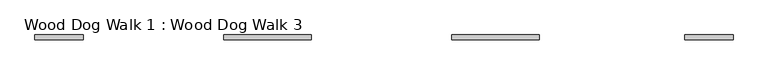
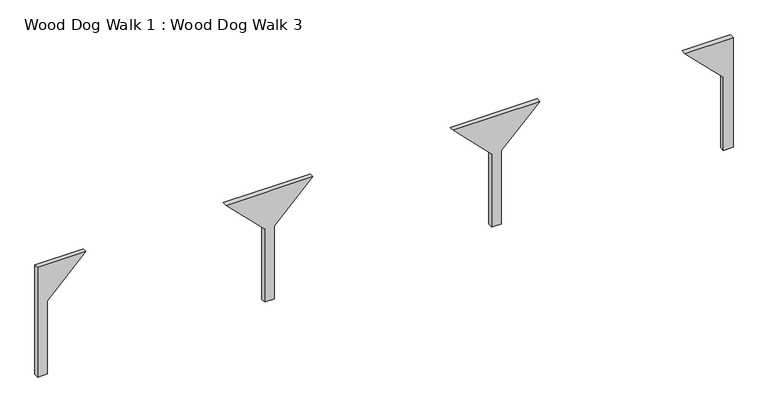
"""IFC4 building model written with IfcOpenShell, lengths in millimetres: proxy geometry, Wood Dog Walk 1 : Wood Dog Walk 3."""

from ifc_helpers import new_model, si_unit, frame, origin, place, context, project, spatial, polyline, outline, extrude, source, transform, mapped, element, save


def wood_dog_walk_1_wood_dog_walk_3_5c642de4(model_context):
    return source(origin(), model_context, "Body", "SweptSolid", [
        extrude(outline(polyline([(254.0, 259452.7001106), (254.0, 259503.5001106), (660.4, 259503.5001106), (863.6, 259706.7001106), (863.6, 259452.7001106), (254.0, 259452.7001106)])), frame((0.0, 26752.5556164, 0.0), z_axis=(0.0, 1.0, 0.0), x_axis=(0.0, 0.0, 1.0)), (0.0, 0.0, 1.0), 25.4),
        extrude(outline(polyline([(254.0, 263110.3001106), (863.6, 263110.3001106), (863.6, 262856.3001106), (660.4, 263059.5001106), (254.0, 263059.5001106), (254.0, 263110.3001106)])), frame((0.0, 26752.5556164, 0.0), z_axis=(0.0, 1.0, 0.0), x_axis=(0.0, 0.0, 1.0)), (0.0, 0.0, 1.0), 25.4),
        extrude(outline(polyline([(254.0, 260646.5001106), (254.0, 260697.3001106), (660.4, 260697.3001106), (863.6, 260900.5001106), (863.6, 260443.3001106), (660.4, 260646.5001106), (254.0, 260646.5001106)])), frame((0.0, 26752.5556164, 0.0), z_axis=(0.0, 1.0, 0.0), x_axis=(0.0, 0.0, 1.0)), (0.0, 0.0, 1.0), 25.4),
        extrude(outline(polyline([(254.0, 261840.3001106), (254.0, 261891.1001106), (660.4, 261891.1001106), (863.6, 262094.3001106), (863.6, 261637.1001106), (660.4, 261840.3001106), (254.0, 261840.3001106)])), frame((0.0, 26752.5556164, 0.0), z_axis=(0.0, 1.0, 0.0), x_axis=(0.0, 0.0, 1.0)), (0.0, 0.0, 1.0), 25.4),
    ])


if __name__ == "__main__":
    model = new_model("IFC4")
    model_context = context("Model", 3, world=origin())
    ifc_project = project(units=[si_unit("LENGTHUNIT", "METRE", prefix="MILLI")], contexts=[model_context])
    site = spatial("IfcSite", under=ifc_project)
    building = spatial("IfcBuilding", under=site)
    placement = place(None, origin())
    wood_dog_walk_1_wood_dog_walk_3_shape = wood_dog_walk_1_wood_dog_walk_3_5c642de4(model_context)
    element("IfcBuildingElementProxy", 1, Name="Wood Dog Walk 1 : Wood Dog Walk 3", ObjectType="Wood Dog Walk 1 : Wood Dog Walk 3", at=placement, inside=building, context=model_context, shape_type="MappedRepresentation", body=[
        mapped(wood_dog_walk_1_wood_dog_walk_3_shape, transform((0.0, 0.0, 0.0), x_axis=(1.0, 0.0, 0.0), y_axis=(0.0, 1.0, 0.0), z_axis=(0.0, 0.0, 1.0))),
    ])
    save(model, "model.ifc")
